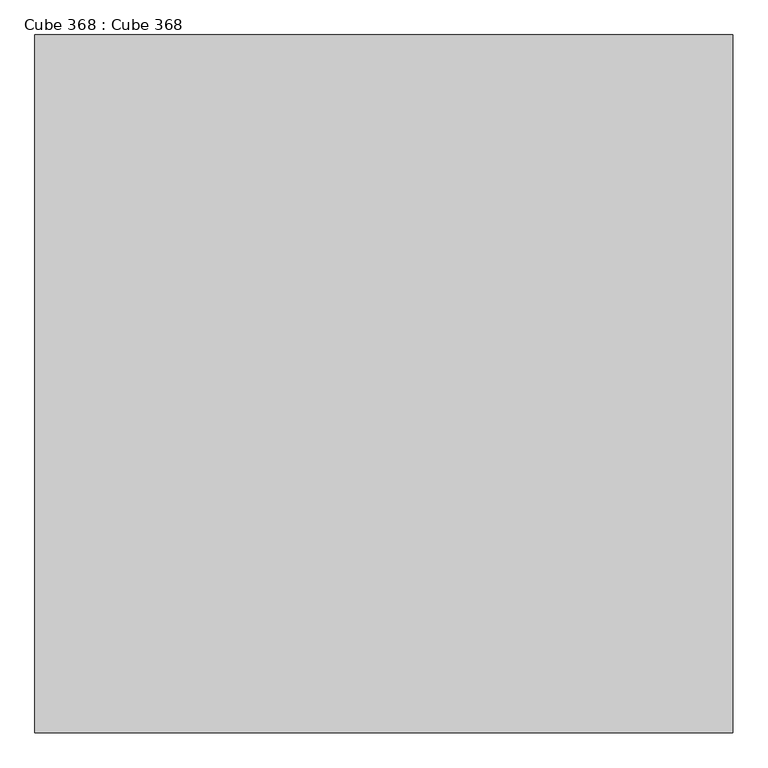
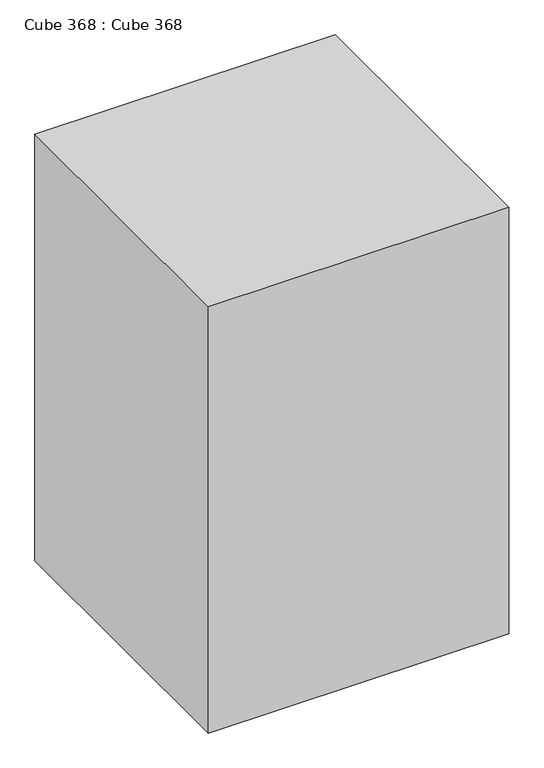
"""IFC4 building model written with IfcOpenShell, lengths in millimetres: proxy geometry, Cube 368 : Cube 368."""

from ifc_helpers import new_model, si_unit, origin, origin_with_axes, place, context, project, spatial, polyline, outline, extrude, source, transform, mapped, element, save


def cube_368_cube_368_652a372d(model_context):
    return source(origin(), model_context, "Body", "SweptSolid", [
        extrude(outline(polyline([(-28041.6027308, 0.0), (-28041.6027308, 3657.5996876), (-24384.0030432, 3657.5996876), (-24384.0030432, 0.0), (-28041.6027308, 0.0)])), origin_with_axes(), (0.0, 0.0, 1.0), 5486.4),
    ])


if __name__ == "__main__":
    model = new_model("IFC4")
    model_context = context("Model", 3, world=origin())
    ifc_project = project(units=[si_unit("LENGTHUNIT", "METRE", prefix="MILLI")], contexts=[model_context])
    site = spatial("IfcSite", under=ifc_project)
    building = spatial("IfcBuilding", under=site)
    placement = place(None, origin())
    cube_368_cube_368_shape = cube_368_cube_368_652a372d(model_context)
    element("IfcBuildingElementProxy", 1, Name="Cube 368 : Cube 368", ObjectType="Cube 368 : Cube 368", at=placement, inside=building, context=model_context, shape_type="MappedRepresentation", body=[
        mapped(cube_368_cube_368_shape, transform((0.0, 0.0, 0.0), x_axis=(1.0, 0.0, 0.0), y_axis=(0.0, 1.0, 0.0), z_axis=(0.0, 0.0, 1.0))),
    ])
    save(model, "model.ifc")
